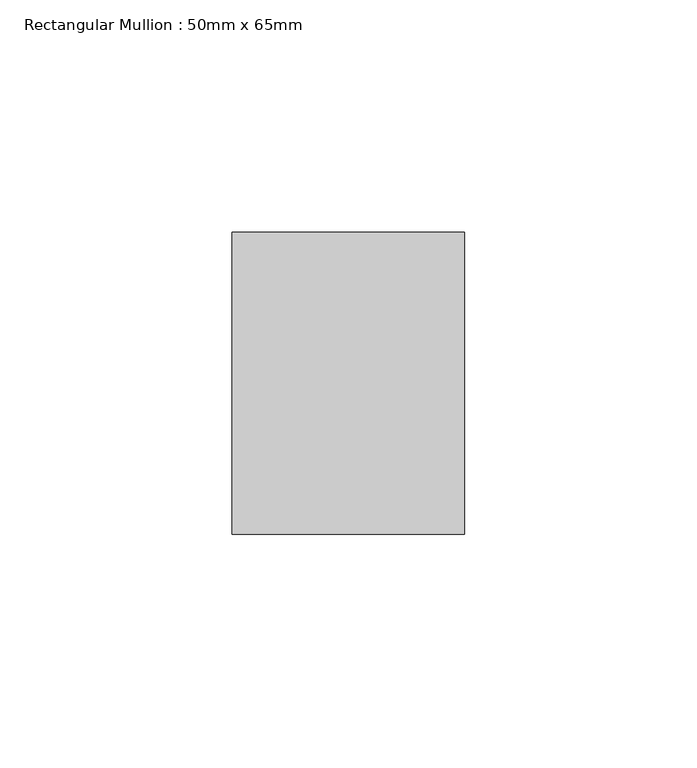
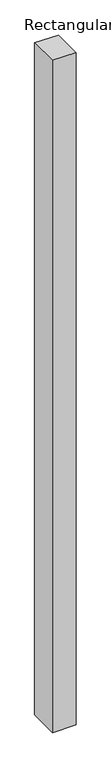
"""IFC4 building model written with IfcOpenShell, lengths in millimetres: member geometry, Rectangular Mullion : 50mm x 65mm."""

from ifc_helpers import new_model, si_unit, origin, place, context, project, spatial, faceted_brep, source, transform, mapped, element, save


def rectangular_mullion_50mm_x_65mm_a158d4d2(model_context):
    return source(origin(), model_context, "Body", "Brep", [
        faceted_brep([(-25.0, 32.5, -0.2027388), (25.0, 32.5, -0.2027394), (25.0, 32.5, -1499.8930126), (-25.0, 32.5, -1499.8930128), (-25.0, -32.5, 0.2027394), (-25.0, -32.5, -1500.107676), (25.0, -32.5, 0.2027388), (25.0, -32.5, -1500.1076758)], [[[0, 1, 2, 3]], [[4, 0, 3, 5]], [[6, 4, 5, 7]], [[1, 6, 7, 2]], [[1, 0, 4, 6]], [[2, 7, 5, 3]]]),
    ])


if __name__ == "__main__":
    model = new_model("IFC4")
    model_context = context("Model", 3, world=origin())
    ifc_project = project(units=[si_unit("LENGTHUNIT", "METRE", prefix="MILLI")], contexts=[model_context])
    site = spatial("IfcSite", under=ifc_project)
    building = spatial("IfcBuilding", under=site)
    placement = place(None, origin())
    rectangular_mullion_50mm_x_65mm_shape = rectangular_mullion_50mm_x_65mm_a158d4d2(model_context)
    element("IfcMember", 1, ObjectType="Rectangular Mullion : 50mm x 65mm", at=placement, inside=building, context=model_context, shape_type="MappedRepresentation", body=[
        mapped(rectangular_mullion_50mm_x_65mm_shape, transform((0.0, 0.0, 0.0), x_axis=(1.0, 0.0, 0.0), y_axis=(0.0, 1.0, 0.0), z_axis=(0.0, 0.0, 1.0))),
    ])
    save(model, "model.ifc")
